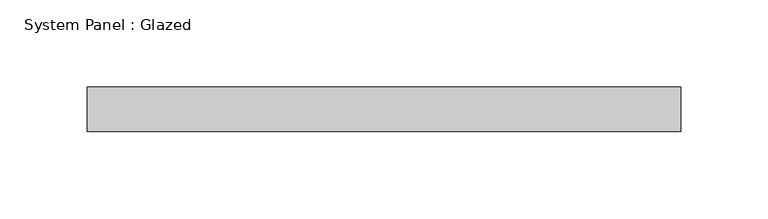
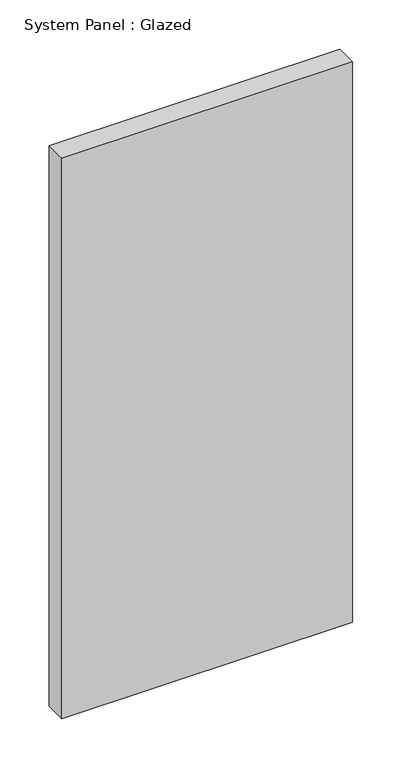
"""IFC4 building model written with IfcOpenShell, lengths in millimetres: plate geometry, System Panel : Glazed."""

from ifc_helpers import new_model, si_unit, origin, origin_with_axes, place, context, project, spatial, polyline, outline, extrude, source, transform, mapped, element, save


def system_panel_glazed_85fe26c3(model_context):
    return source(origin(), model_context, "Body", "SweptSolid", [
        extrude(outline(polyline([(169.8625, -12.7), (-169.8625, -12.7), (-169.8625, 12.7), (169.8625, 12.7), (169.8625, -12.7)])), origin_with_axes(), (0.0, 0.0, 1.0), 692.15),
    ])


if __name__ == "__main__":
    model = new_model("IFC4")
    model_context = context("Model", 3, world=origin())
    ifc_project = project(units=[si_unit("LENGTHUNIT", "METRE", prefix="MILLI")], contexts=[model_context])
    site = spatial("IfcSite", under=ifc_project)
    building = spatial("IfcBuilding", under=site)
    placement = place(None, origin())
    system_panel_glazed_shape = system_panel_glazed_85fe26c3(model_context)
    element("IfcPlate", 1, ObjectType="System Panel : Glazed", at=placement, inside=building, context=model_context, shape_type="MappedRepresentation", body=[
        mapped(system_panel_glazed_shape, transform((0.0, 0.0, 0.0), x_axis=(1.0, 0.0, 0.0), y_axis=(0.0, 1.0, 0.0), z_axis=(0.0, 0.0, 1.0))),
    ])
    save(model, "model.ifc")
